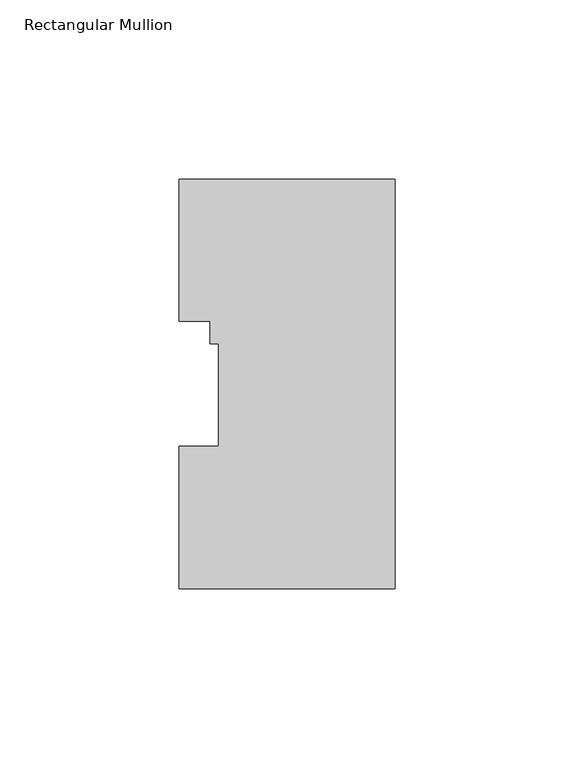
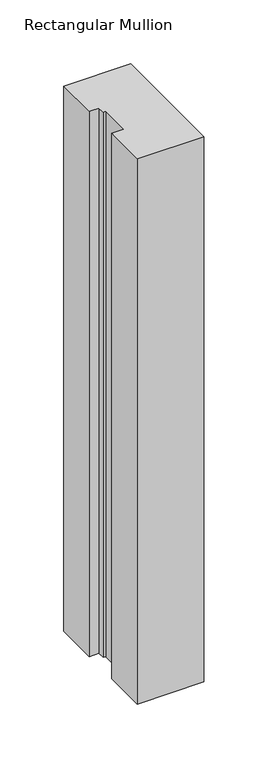
"""IFC4 building model written with IfcOpenShell, lengths in millimetres: member geometry, Rectangular Mullion."""

from ifc_helpers import new_model, si_unit, frame, origin, place, context, project, spatial, polyline, outline, extrude, source, transform, mapped, element, save


def rectangular_mullion_dbf5227d(model_context):
    return source(origin(), model_context, "Body", "SweptSolid", [
        extrude(outline(polyline([(-60.325, -0.03175), (-60.325, 39.64305), (-49.2125, 39.64305), (-49.2125, 68.24345), (-51.5874, 68.24345), (-51.5874, 74.59345), (-60.325, 74.59345), (-60.325, 114.26825), (0.0, 114.26825), (0.0, -0.03175), (-60.325, -0.03175)])), frame((0.0, 0.0, -520.7), z_axis=(0.0, 0.0, 1.0), x_axis=(1.0, 0.0, 0.0)), (0.0, 0.0, 1.0), 520.7),
    ])


if __name__ == "__main__":
    model = new_model("IFC4")
    model_context = context("Model", 3, world=origin())
    ifc_project = project(units=[si_unit("LENGTHUNIT", "METRE", prefix="MILLI")], contexts=[model_context])
    site = spatial("IfcSite", under=ifc_project)
    building = spatial("IfcBuilding", under=site)
    placement = place(None, origin())
    rectangular_mullion_shape = rectangular_mullion_dbf5227d(model_context)
    element("IfcMember", 1, ObjectType="Rectangular Mullion", at=placement, inside=building, context=model_context, shape_type="MappedRepresentation", body=[
        mapped(rectangular_mullion_shape, transform((0.0, 0.0, 0.0), x_axis=(1.0, 0.0, 0.0), y_axis=(0.0, 1.0, 0.0), z_axis=(0.0, 0.0, 1.0))),
    ])
    save(model, "model.ifc")
